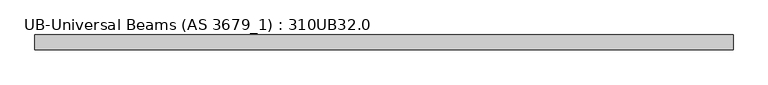
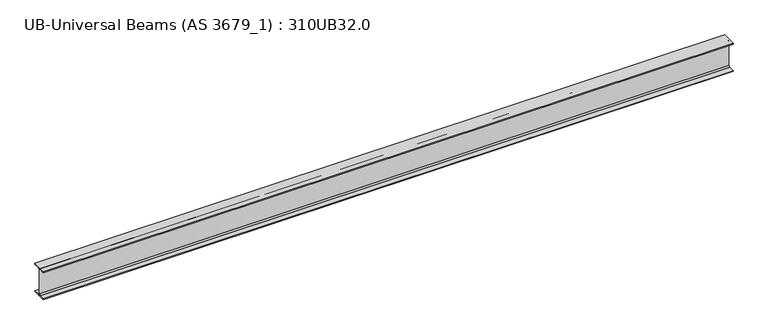
"""IFC4 building model written with IfcOpenShell, lengths in millimetres: beam geometry, UB-Universal Beams (AS 3679_1) : 310UB32.0."""

from ifc_helpers import new_model, si_unit, point, frame, frame_2d, origin, place, context, project, spatial, polyline, circle_curve, trimmed, segment, composite_curve, outline, extrude, source, transform, mapped, element, save


def ub_universal_beams_as_3679_1_310ub32_0_87121988(model_context):
    return source(origin(), model_context, "Body", "SweptSolid", [
        extrude(outline(composite_curve([segment(polyline([(74.5, -141.0), (74.5, -149.0), (-74.5, -149.0), (-74.5, -141.0), (-15.75, -141.0)]), True, "CONTINUOUS"), segment(trimmed(circle_curve(frame_2d((-15.75, -128.0)), 13.0), [point((-15.75, -141.0))], [point((-2.75, -128.0))], True, "CARTESIAN"), True, "CONTINUOUS"), segment(polyline([(-2.75, -128.0), (-2.75, 128.0)]), True, "CONTINUOUS"), segment(trimmed(circle_curve(frame_2d((-15.75, 128.0)), 13.0), [point((-2.75, 128.0))], [point((-15.75, 141.0))], True, "CARTESIAN"), True, "CONTINUOUS"), segment(polyline([(-15.75, 141.0), (-74.5, 141.0), (-74.5, 149.0), (74.5, 149.0), (74.5, 141.0), (15.75, 141.0)]), True, "CONTINUOUS"), segment(trimmed(circle_curve(frame_2d((15.75, 128.0)), 13.0), [point((15.75, 141.0))], [point((2.75, 128.0))], True, "CARTESIAN"), True, "CONTINUOUS"), segment(polyline([(2.75, 128.0), (2.75, -128.0)]), True, "CONTINUOUS"), segment(trimmed(circle_curve(frame_2d((15.75, -128.0)), 13.0), [point((2.75, -128.0))], [point((15.75, -141.0))], True, "CARTESIAN"), True, "CONTINUOUS"), segment(polyline([(15.75, -141.0), (74.5, -141.0)]), True, "CONTINUOUS")], self_intersect=False)), frame((-3474.5, 0.0, 0.0), z_axis=(1.0, 0.0, 0.0), x_axis=(0.0, 1.0, 0.0)), (0.0, 0.0, 1.0), 6949.0),
    ])


if __name__ == "__main__":
    model = new_model("IFC4")
    model_context = context("Model", 3, world=origin())
    ifc_project = project(units=[si_unit("LENGTHUNIT", "METRE", prefix="MILLI")], contexts=[model_context])
    site = spatial("IfcSite", under=ifc_project)
    building = spatial("IfcBuilding", under=site)
    placement = place(None, origin())
    ub_universal_beams_as_3679_1_310ub32_0_shape = ub_universal_beams_as_3679_1_310ub32_0_87121988(model_context)
    element("IfcBeam", 1, ObjectType="UB-Universal Beams (AS 3679_1) : 310UB32.0", at=placement, inside=building, context=model_context, shape_type="MappedRepresentation", body=[
        mapped(ub_universal_beams_as_3679_1_310ub32_0_shape, transform((0.0, 0.0, 0.0), x_axis=(1.0, 0.0, 0.0), y_axis=(0.0, 1.0, 0.0), z_axis=(0.0, 0.0, 1.0))),
    ])
    save(model, "model.ifc")
